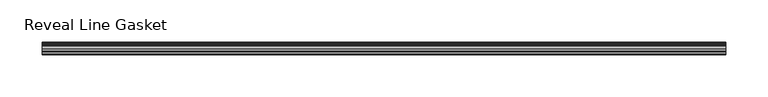
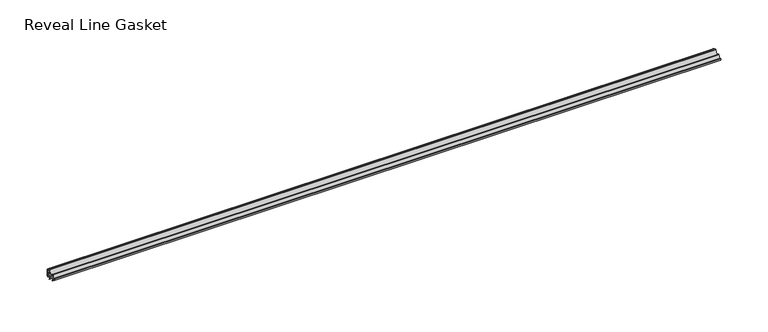
"""IFC4 building model written with IfcOpenShell, lengths in millimetres: furniture geometry, Reveal Line Gasket."""

from ifc_helpers import new_model, si_unit, point, frame, frame_2d, origin, place, context, project, spatial, polyline, circle_curve, trimmed, segment, composite_curve, outline, extrude, source, transform, mapped, element, save


def reveal_line_gasket_58dce0bb(model_context):
    return source(origin(), model_context, "Body", "SweptSolid", [
        extrude(outline(composite_curve([segment(polyline([(7.6326998, 1603.2), (7.6326998, 1597.2), (7.4091917, 1596.2445073), (6.8813059, 1595.3115316)]), True, "CONTINUOUS"), segment(trimmed(circle_curve(frame_2d((6.5243141, 1595.5135207)), 0.4101739), [point((6.8813059, 1595.3115316))], [point((6.1246704, 1595.6058653))], False, "CARTESIAN"), True, "CONTINUOUS"), segment(polyline([(6.1246704, 1595.6058653), (6.3626997, 1597.3020914), (6.3626997, 1599.3345473)]), True, "CONTINUOUS"), segment(trimmed(circle_curve(frame_2d((5.6959605, 1598.9180742)), 0.786124), [point((6.3626997, 1599.3345473))], [point((5.0926996, 1599.422125))], True, "CARTESIAN"), True, "CONTINUOUS"), segment(polyline([(5.0926996, 1599.422125), (0.7492996, 1599.422125), (3.7293824, 1594.2604705)]), True, "CONTINUOUS"), segment(trimmed(circle_curve(frame_2d((3.3132479, 1594.1950239)), 0.4212495), [point((3.7293824, 1594.2604705))], [point((3.0485022, 1593.8673642))], False, "CARTESIAN"), True, "CONTINUOUS"), segment(polyline([(3.0485022, 1593.8673642), (-0.5742594, 1599.422125), (-4.8262978, 1599.422125), (-3.1660374, 1596.5464703)]), True, "CONTINUOUS"), segment(trimmed(circle_curve(frame_2d((-3.5978728, 1596.4881145)), 0.4357605), [point((-3.1660374, 1596.5464703))], [point((-3.864328, 1596.1433119))], False, "CARTESIAN"), True, "CONTINUOUS"), segment(polyline([(-3.864328, 1596.1433119), (-6.1944059, 1599.422125), (-7.6326998, 1599.422125), (-7.6326998, 1600.977875), (-6.1944059, 1600.977875), (-3.864328, 1604.2566881)]), True, "CONTINUOUS"), segment(trimmed(circle_curve(frame_2d((-3.5978728, 1603.9118855)), 0.4357605), [point((-3.864328, 1604.2566881))], [point((-3.1660374, 1603.8535297))], False, "CARTESIAN"), True, "CONTINUOUS"), segment(polyline([(-3.1660374, 1603.8535297), (-4.8262978, 1600.977875), (-0.5742594, 1600.977875), (3.0485022, 1606.5326358)]), True, "CONTINUOUS"), segment(trimmed(circle_curve(frame_2d((3.3132479, 1606.2049761)), 0.4212495), [point((3.0485022, 1606.5326358))], [point((3.7293824, 1606.1395295))], False, "CARTESIAN"), True, "CONTINUOUS"), segment(polyline([(3.7293824, 1606.1395295), (0.7492996, 1600.977875), (5.0926996, 1600.977875)]), True, "CONTINUOUS"), segment(trimmed(circle_curve(frame_2d((5.6959605, 1601.4819258)), 0.786124), [point((5.0926996, 1600.977875))], [point((6.3626997, 1601.0654527))], True, "CARTESIAN"), True, "CONTINUOUS"), segment(polyline([(6.3626997, 1601.0654527), (6.3626997, 1603.0979086), (6.1246704, 1604.7941347)]), True, "CONTINUOUS"), segment(trimmed(circle_curve(frame_2d((6.5243141, 1604.8864793)), 0.4101739), [point((6.1246704, 1604.7941347))], [point((6.8813059, 1605.0884684))], False, "CARTESIAN"), True, "CONTINUOUS"), segment(polyline([(6.8813059, 1605.0884684), (7.4091917, 1604.1554927), (7.6326998, 1603.2)]), True, "CONTINUOUS")], self_intersect=False)), frame((-406.3582328, 0.0, 0.0), z_axis=(1.0, 0.0, 0.0), x_axis=(0.0, 1.0, 0.0)), (0.0, 0.0, 1.0), 812.7164656),
    ])


if __name__ == "__main__":
    model = new_model("IFC4")
    model_context = context("Model", 3, world=origin())
    ifc_project = project(units=[si_unit("LENGTHUNIT", "METRE", prefix="MILLI")], contexts=[model_context])
    site = spatial("IfcSite", under=ifc_project)
    building = spatial("IfcBuilding", under=site)
    placement = place(None, origin())
    reveal_line_gasket_shape = reveal_line_gasket_58dce0bb(model_context)
    element("IfcFurniture", 1, ObjectType="Reveal Line Gasket", at=placement, inside=building, context=model_context, shape_type="MappedRepresentation", body=[
        mapped(reveal_line_gasket_shape, transform((0.0, 0.0, 0.0), x_axis=(1.0, 0.0, 0.0), y_axis=(0.0, 1.0, 0.0), z_axis=(0.0, 0.0, 1.0))),
    ])
    save(model, "model.ifc")
